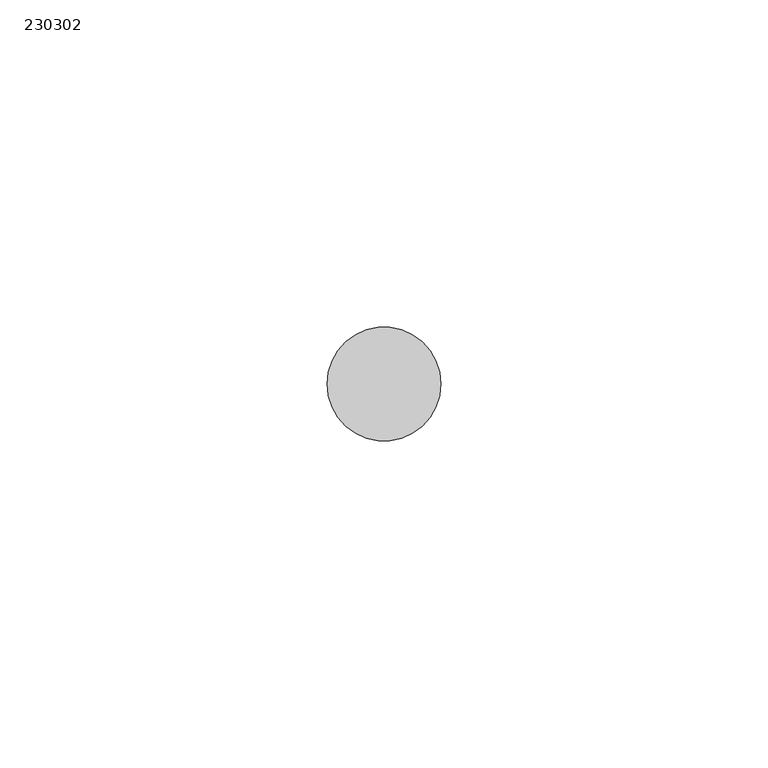
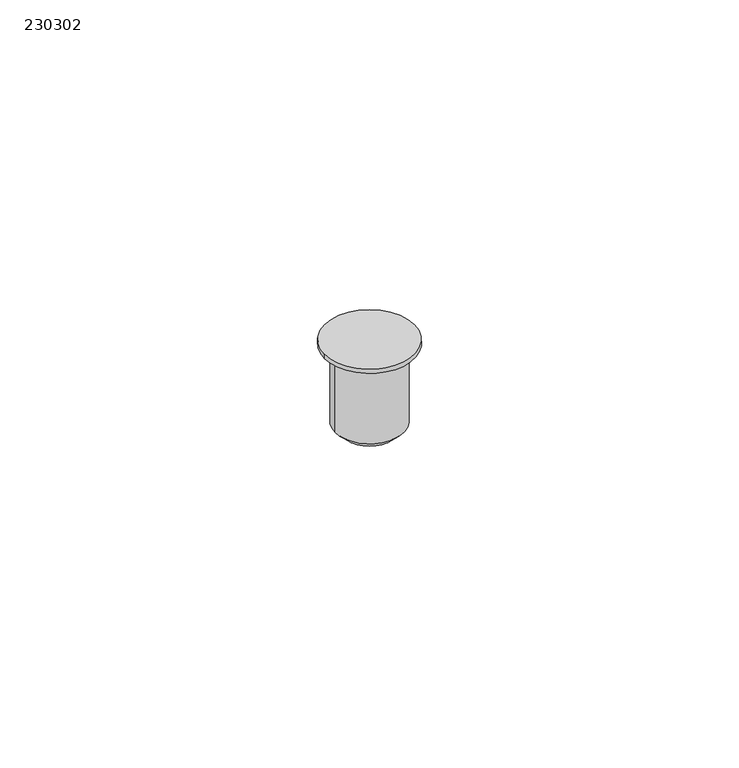
"""IFC4 building model written with IfcOpenShell, lengths in millimetres: proxy geometry, 230302."""

from ifc_helpers import new_model, si_unit, frame, origin, place, context, project, spatial, polyline, circle_curve, source, transform, mapped, element, save
from ifc_brep_helpers import plane_surface, cylinder_surface, revolved_surface, advanced_brep


def proxy_230302_7555efc9(model_context):
    return source(origin(), model_context, "Body", "AdvancedBrep", [
        advanced_brep(
        [(-8.6995, 0.0, 0.0), (-8.6995, 0.0, -0.8636), (8.6995, 0.0, -0.8636), (8.6995, 0.0, 0.0), (-6.6421, 0.0, -0.8636), (-6.6421, 0.0, -16.6751), (6.6421, 0.0, -16.6751), (6.6421, 0.0, -0.8636), (-5.1181, 0.0, -18.1991), (5.1181, 0.0, -18.1991)],
        [
            (0, 1),
            (1, 2, circle_curve(frame((0.0, 0.0, -0.8636), z_axis=(0.0, 0.0, 1.0), x_axis=(-1.0, 0.0, 0.0)), 8.6995)),
            (2, 3),
            (3, 0, circle_curve(frame((0.0, 0.0, 0.0), z_axis=(0.0, 0.0, -1.0), x_axis=(-1.0, 0.0, 0.0)), 8.6995)),
            (4, 5),
            (5, 6, circle_curve(frame((0.0, 0.0, -16.6751), z_axis=(0.0, 0.0, 1.0), x_axis=(-1.0, 0.0, 0.0)), 6.6421)),
            (6, 7),
            (7, 4, circle_curve(frame((0.0, 0.0, -0.8636), z_axis=(0.0, 0.0, -1.0), x_axis=(-1.0, 0.0, 0.0)), 6.6421)),
            (8, 5),
            (5, 6, circle_curve(frame((0.0, 0.0, -16.6751), z_axis=(0.0, 0.0, -1.0), x_axis=(1.0, 0.0, 0.0)), 6.6421)),
            (6, 9),
            (9, 8, circle_curve(frame((0.0, 0.0, -18.1991), z_axis=(0.0, 0.0, 1.0), x_axis=(1.0, 0.0, 0.0)), 5.1181)),
            (9, 8, circle_curve(frame((0.0, 0.0, -18.1991), z_axis=(0.0, 0.0, -1.0), x_axis=(-1.0, 0.0, 0.0)), 5.1181)),
            (3, 0, circle_curve(frame((0.0, 0.0, 0.0), z_axis=(0.0, 0.0, 1.0), x_axis=(-1.0, 0.0, 0.0)), 8.6995)),
            (4, 7, circle_curve(frame((0.0, 0.0, -0.8636), z_axis=(0.0, 0.0, -1.0), x_axis=(-1.0, 0.0, 0.0)), 6.6421)),
            (2, 1, circle_curve(frame((0.0, 0.0, -0.8636), z_axis=(0.0, 0.0, 1.0), x_axis=(-1.0, 0.0, 0.0)), 8.6995)),
        ],
        [
            cylinder_surface(frame((0.0, 0.0, 0.0), z_axis=(0.0, 0.0, -1.0), x_axis=(-1.0, 0.0, 0.0)), 8.6995),
            cylinder_surface(frame((0.0, 0.0, 0.0), z_axis=(0.0, 0.0, -1.0), x_axis=(-1.0, 0.0, 0.0)), 6.6421),
            revolved_surface(polyline([(-5.118099999999999, 0.0, -18.1991), (-6.6421, 0.0, -16.6751)]), (0.0, 0.0, -23.3172), (0.0, 0.0, 1.0)),
            plane_surface(frame((0.0, 0.0, -18.1991), z_axis=(0.0, 0.0, -1.0), x_axis=(-1.0, 0.0, 0.0))),
            plane_surface(frame((0.0, 0.0, 0.0), z_axis=(0.0, 0.0, 1.0), x_axis=(-1.0, 0.0, 0.0))),
            plane_surface(frame((0.0, 0.0, -0.8636), z_axis=(0.0, 0.0, -1.0), x_axis=(-1.0, 0.0, 0.0))),
        ],
        [
            (0, [[1, 2, 3, 4]]),
            (1, [[5, 6, 7, 8]]),
            (2, [[9, 10, 11, 12]]),
            (3, [[-12, 13]]),
            (4, [[-4, 14]]),
            (2, [[-9, -13, -11, -6]]),
            (1, [[-5, 15, -7, -10]]),
            (0, [[-1, -14, -3, 16]]),
            (5, [[-16, -2], [-15, -8]]),
        ],
    ),
    ])


if __name__ == "__main__":
    model = new_model("IFC4")
    model_context = context("Model", 3, world=origin())
    ifc_project = project(units=[si_unit("LENGTHUNIT", "METRE", prefix="MILLI")], contexts=[model_context])
    site = spatial("IfcSite", under=ifc_project)
    building = spatial("IfcBuilding", under=site)
    placement = place(None, origin())
    proxy_230302_shape = proxy_230302_7555efc9(model_context)
    element("IfcBuildingElementProxy", 1, Name="230302", ObjectType="230302", at=placement, inside=building, context=model_context, shape_type="MappedRepresentation", body=[
        mapped(proxy_230302_shape, transform((0.0, 0.0, 0.0), x_axis=(1.0, 0.0, 0.0), y_axis=(0.0, 1.0, 0.0), z_axis=(0.0, 0.0, 1.0))),
    ])
    save(model, "model.ifc")
